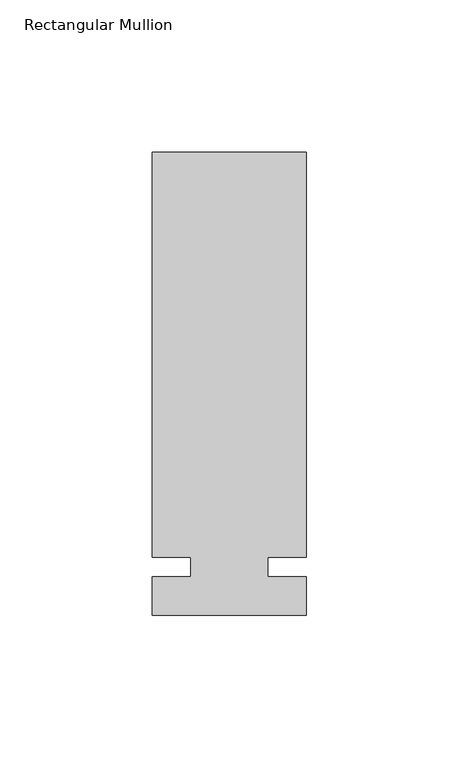
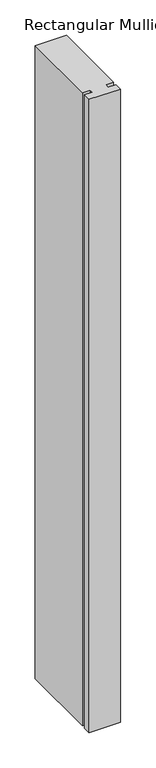
"""IFC4 building model written with IfcOpenShell, lengths in millimetres: member geometry, Rectangular Mullion."""

from ifc_helpers import new_model, si_unit, frame, origin, place, context, project, spatial, polyline, outline, extrude, source, transform, mapped, element, save


def rectangular_mullion_28ba26e8(model_context):
    return source(origin(), model_context, "Body", "SweptSolid", [
        extrude(outline(polyline([(29.7344027, 136.525), (29.7344027, 3.175), (17.0326322, 3.175), (17.0326322, -3.175), (29.7344027, -3.175), (29.7344027, -15.875), (-21.0655973, -15.875), (-21.0655973, -3.175), (-8.3655973, -3.175), (-8.3655973, 3.175), (-21.0655973, 3.175), (-21.0655973, 136.525), (29.7344027, 136.525)])), frame((0.0, 0.0, -1091.0405973), z_axis=(0.0, 0.0, 1.0), x_axis=(1.0, 0.0, 0.0)), (0.0, 0.0, 1.0), 1091.0405973),
    ])


if __name__ == "__main__":
    model = new_model("IFC4")
    model_context = context("Model", 3, world=origin())
    ifc_project = project(units=[si_unit("LENGTHUNIT", "METRE", prefix="MILLI")], contexts=[model_context])
    site = spatial("IfcSite", under=ifc_project)
    building = spatial("IfcBuilding", under=site)
    placement = place(None, origin())
    rectangular_mullion_shape = rectangular_mullion_28ba26e8(model_context)
    element("IfcMember", 1, ObjectType="Rectangular Mullion", at=placement, inside=building, context=model_context, shape_type="MappedRepresentation", body=[
        mapped(rectangular_mullion_shape, transform((0.0, 0.0, 0.0), x_axis=(1.0, 0.0, 0.0), y_axis=(0.0, 1.0, 0.0), z_axis=(0.0, 0.0, 1.0))),
    ])
    save(model, "model.ifc")
